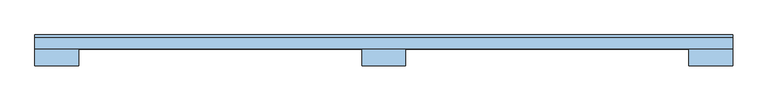
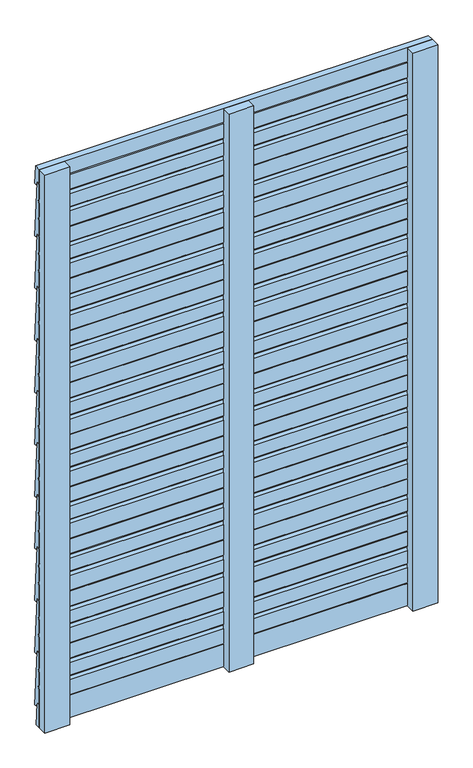
"""IFC4 building model written with IfcOpenShell, lengths in millimetres: window geometry."""

from ifc_helpers import new_model, si_unit, frame, origin, place, context, project, spatial, polyline, outline, extrude, source, transform, mapped, element, save


def window_fd952fab(model_context):
    return source(origin(), model_context, "Body", "SweptSolid", [
        extrude(outline(polyline([(50.0078741, 150.0031481), (41.0853004, 150.9402731), (40.3857007, 162.0), (30.0078741, 162.0), (30.0078741, 202.0), (35.2056664, 208.0), (30.0078741, 214.0), (30.0078741, 248.0), (35.2056664, 254.0), (30.0078741, 260.0), (30.0078741, 300.0), (40.0171434, 300.0), (50.0078741, 150.0031481)])), frame((-500.0, 0.0, 0.0), z_axis=(1.0, 0.0, 0.0), x_axis=(0.0, 1.0, 0.0)), (0.0, 0.0, 1.0), 1000.0),
        extrude(outline(polyline([(50.0078741, 290.0031481), (41.0853004, 290.9402731), (40.3857007, 302.0), (30.0078741, 302.0), (30.0078741, 342.0), (35.2056664, 348.0), (30.0078741, 354.0), (30.0078741, 388.0), (35.2056664, 394.0), (30.0078741, 400.0), (30.0078741, 440.0), (40.0171434, 440.0), (50.0078741, 290.0031481)])), frame((-500.0, 0.0, 0.0), z_axis=(1.0, 0.0, 0.0), x_axis=(0.0, 1.0, 0.0)), (0.0, 0.0, 1.0), 1000.0),
        extrude(outline(polyline([(50.0078741, 430.0031481), (41.0853004, 430.9402731), (40.3857007, 442.0), (30.0078741, 442.0), (30.0078741, 482.0), (35.2056664, 488.0), (30.0078741, 494.0), (30.0078741, 528.0), (35.2056664, 534.0), (30.0078741, 540.0), (30.0078741, 580.0), (40.0171434, 580.0), (50.0078741, 430.0031481)])), frame((-500.0, 0.0, 0.0), z_axis=(1.0, 0.0, 0.0), x_axis=(0.0, 1.0, 0.0)), (0.0, 0.0, 1.0), 1000.0),
        extrude(outline(polyline([(50.0078741, 570.0031481), (41.0853004, 570.9402731), (40.3857007, 582.0), (30.0078741, 582.0), (30.0078741, 622.0), (35.2056664, 628.0), (30.0078741, 634.0), (30.0078741, 668.0), (35.2056664, 674.0), (30.0078741, 680.0), (30.0078741, 720.0), (40.0171434, 720.0), (50.0078741, 570.0031481)])), frame((-500.0, 0.0, 0.0), z_axis=(1.0, 0.0, 0.0), x_axis=(0.0, 1.0, 0.0)), (0.0, 0.0, 1.0), 1000.0),
        extrude(outline(polyline([(50.0078741, 710.0031481), (41.0853004, 710.9402731), (40.3857007, 722.0), (30.0078741, 722.0), (30.0078741, 762.0), (35.2056664, 768.0), (30.0078741, 774.0), (30.0078741, 808.0), (35.2056664, 814.0), (30.0078741, 820.0), (30.0078741, 860.0), (40.0171434, 860.0), (50.0078741, 710.0031481)])), frame((-500.0, 0.0, 0.0), z_axis=(1.0, 0.0, 0.0), x_axis=(0.0, 1.0, 0.0)), (0.0, 0.0, 1.0), 1000.0),
        extrude(outline(polyline([(50.0078741, 850.0031481), (41.0853004, 850.9402731), (40.3857007, 862.0), (30.0078741, 862.0), (30.0078741, 902.0), (35.2056664, 908.0), (30.0078741, 914.0), (30.0078741, 948.0), (35.2056664, 954.0), (30.0078741, 960.0), (30.0078741, 1000.0), (40.0171434, 1000.0), (50.0078741, 850.0031481)])), frame((-500.0, 0.0, 0.0), z_axis=(1.0, 0.0, 0.0), x_axis=(0.0, 1.0, 0.0)), (0.0, 0.0, 1.0), 1000.0),
        extrude(outline(polyline([(50.0078741, 990.0031481), (41.0853004, 990.9402731), (40.3857007, 1002.0), (30.0078741, 1002.0), (30.0078741, 1042.0), (35.2056664, 1048.0), (30.0078741, 1054.0), (30.0078741, 1088.0), (35.2056664, 1094.0), (30.0078741, 1100.0), (30.0078741, 1140.0), (40.0171434, 1140.0), (50.0078741, 990.0031481)])), frame((-500.0, 0.0, 0.0), z_axis=(1.0, 0.0, 0.0), x_axis=(0.0, 1.0, 0.0)), (0.0, 0.0, 1.0), 1000.0),
        extrude(outline(polyline([(50.0078741, 1130.0031481), (41.0853004, 1130.9402731), (40.3857007, 1142.0), (30.0078741, 1142.0), (30.0078741, 1182.0), (35.2056664, 1188.0), (30.0078741, 1194.0), (30.0078741, 1228.0), (35.2056664, 1234.0), (30.0078741, 1240.0), (30.0078741, 1280.0), (40.0171434, 1280.0), (50.0078741, 1130.0031481)])), frame((-500.0, 0.0, 0.0), z_axis=(1.0, 0.0, 0.0), x_axis=(0.0, 1.0, 0.0)), (0.0, 0.0, 1.0), 1000.0),
        extrude(outline(polyline([(50.0078741, 1270.0031481), (41.0853004, 1270.9402731), (40.3857007, 1282.0), (30.0078741, 1282.0), (30.0078741, 1322.0), (35.2056664, 1328.0), (30.0078741, 1334.0), (30.0078741, 1368.0), (35.2056664, 1374.0), (30.0078741, 1380.0), (30.0078741, 1420.0), (40.0171434, 1420.0), (50.0078741, 1270.0031481)])), frame((-500.0, 0.0, 0.0), z_axis=(1.0, 0.0, 0.0), x_axis=(0.0, 1.0, 0.0)), (0.0, 0.0, 1.0), 1000.0),
        extrude(outline(polyline([(50.0078741, 1410.0031481), (41.0853004, 1410.9402731), (40.3857007, 1422.0), (30.0078741, 1422.0), (30.0078741, 1462.0), (35.2056664, 1468.0), (30.0078741, 1474.0), (30.0078741, 1508.0), (35.2056664, 1514.0), (30.0078741, 1520.0), (30.0078741, 1560.0), (40.0171434, 1560.0), (50.0078741, 1410.0031481)])), frame((-500.0, 0.0, 0.0), z_axis=(1.0, 0.0, 0.0), x_axis=(0.0, 1.0, 0.0)), (0.0, 0.0, 1.0), 1000.0),
        extrude(outline(polyline([(40.0171434, 160.0), (44.0135196, 100.0), (30.0078741, 100.0), (30.0078741, 160.0), (40.0171434, 160.0)])), frame((-500.0, 0.0, 0.0), z_axis=(1.0, 0.0, 0.0), x_axis=(0.0, 1.0, 0.0)), (0.0, 0.0, 1.0), 1000.0),
        extrude(outline(polyline([(50.0039038, 1551.0031481), (41.0813302, 1551.9402731), (40.3817304, 1563.0), (30.0039038, 1563.0), (30.0039038, 1600.0), (46.7373785, 1600.0), (50.0039038, 1551.0031481)])), frame((-500.0, 0.0, 0.0), z_axis=(1.0, 0.0, 0.0), x_axis=(0.0, 1.0, 0.0)), (0.0, 0.0, 1.0), 1000.0),
        extrude(outline(polyline([(-31.5, 30.1), (31.5, 30.1), (31.5, 6.1), (-31.5, 6.1), (-31.5, 30.1)])), frame((0.0, 0.0, 100.0), z_axis=(0.0, 0.0, 1.0), x_axis=(1.0, 0.0, 0.0)), (0.0, 0.0, 1.0), 1500.0),
        extrude(outline(polyline([(-500.0, 30.0), (-437.0, 30.0), (-437.0, 6.0), (-500.0, 6.0), (-500.0, 30.0)])), frame((0.0, 0.0, 100.0), z_axis=(0.0, 0.0, 1.0), x_axis=(1.0, 0.0, 0.0)), (0.0, 0.0, 1.0), 1500.0),
        extrude(outline(polyline([(437.0, 30.0), (500.0, 30.0), (500.0, 6.0), (437.0, 6.0), (437.0, 30.0)])), frame((0.0, 0.0, 100.0), z_axis=(0.0, 0.0, 1.0), x_axis=(1.0, 0.0, 0.0)), (0.0, 0.0, 1.0), 1500.0),
    ])


if __name__ == "__main__":
    model = new_model("IFC4")
    model_context = context("Model", 3, world=origin())
    ifc_project = project(units=[si_unit("LENGTHUNIT", "METRE", prefix="MILLI")], contexts=[model_context])
    site = spatial("IfcSite", under=ifc_project)
    building = spatial("IfcBuilding", under=site)
    placement = place(None, origin())
    window_shape = window_fd952fab(model_context)
    element("IfcWindow", 1, at=placement, inside=building, context=model_context, shape_type="MappedRepresentation", body=[
        mapped(window_shape, transform((0.0, 0.0, 0.0), x_axis=(1.0, 0.0, 0.0), y_axis=(0.0, 1.0, 0.0), z_axis=(0.0, 0.0, 1.0))),
    ])
    save(model, "model.ifc")
